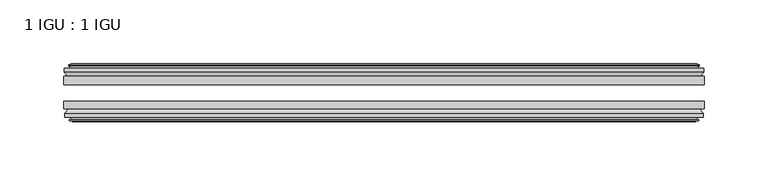
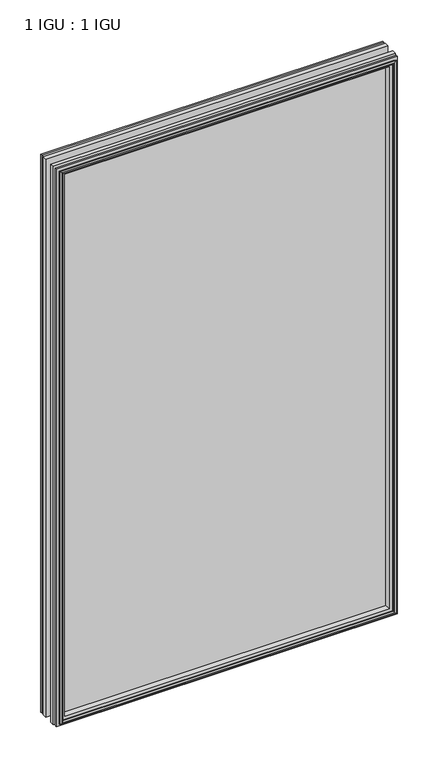
"""IFC4 building model written with IfcOpenShell, lengths in millimetres: plate geometry, 1 IGU : 1 IGU."""

from ifc_helpers import new_model, si_unit, frame, origin, place, context, project, spatial, polyline, outline, extrude, faceted_brep, source, transform, mapped, element, save


def plate_1_igu_1_igu_1c0c4714(model_context):
    return source(origin(), model_context, "Body", "SolidModel", [
        extrude(outline(polyline([(250.2202883, -25.8960937), (250.2202883, -32.2460938), (-250.2202883, -32.2460938), (-250.2202883, -25.8960937), (250.2202883, -25.8960937)])), frame((0.0, 0.0, -12.7), z_axis=(0.0, 0.0, 1.0), x_axis=(1.0, 0.0, 0.0)), (0.0, 0.0, 1.0), 863.6),
        extrude(outline(polyline([(-250.2202883, -51.2960938), (-250.2202883, -45.2686737), (250.2202883, -45.2686737), (250.2202883, -51.2960938), (-250.2202883, -51.2960938)])), frame((0.0, 0.0, -12.7), z_axis=(0.0, 0.0, 1.0), x_axis=(1.0, 0.0, 0.0)), (0.0, 0.0, 1.0), 863.6),
        faceted_brep([(-244.6322883, -60.0262907, 845.312), (-245.0132883, -57.6460937, 845.693), (-245.0132883, -57.6460937, -7.493), (-244.6322883, -60.0262907, -7.112), (-246.0478174, -59.5663575, 846.7275291), (-246.0478174, -59.5663575, -8.5275291), (-246.0478174, -60.3675717, 846.7275291), (-246.0478174, -60.3675717, -8.5275291), (-243.8702883, -61.0750937, 844.55), (-243.8702883, -61.0750937, -6.35), (-241.6927593, -60.3675717, 842.3724709), (-241.6927593, -60.3675717, -4.1724709), (-241.6927593, -59.5663575, 842.3724709), (-241.6927593, -59.5663575, -4.1724709), (-243.1082883, -60.0262907, 843.788), (-243.1082883, -60.0262907, -5.588), (-242.7272883, -57.6460937, 843.407), (-242.7272883, -57.6460937, -5.207), (-235.8025703, -51.2960937, 836.4822819), (-237.5202883, -57.6460937, 838.2), (-237.5202883, -57.6460937, 0.0), (-235.8025703, -51.2960937, 1.7177181), (-249.4582883, -54.6996937, 850.138), (-246.6239462, -51.2960937, 847.3036578), (-246.6239462, -51.2960937, -9.1036578), (-249.4582883, -54.6996937, -11.938), (-249.4582883, -57.6460937, 850.138), (-249.4582883, -57.6460937, -11.938), (245.0132883, -57.6460938, -7.493), (244.6322883, -60.0262907, -7.112), (246.0478174, -59.5663575, -8.5275291), (246.0478174, -60.3675717, -8.5275291), (243.8702883, -61.0750937, -6.35), (241.6927593, -60.3675717, -4.1724709), (241.6927593, -59.5663575, -4.1724709), (243.1082883, -60.0262907, -5.588), (242.7272883, -57.6460937, -5.207), (237.5202883, -57.6460937, 0.0), (235.8025703, -51.2960937, 1.7177181), (246.6239462, -51.2960937, -9.1036578), (249.4582883, -54.6996937, -11.938), (249.4582883, -57.6460938, -11.938), (245.0132883, -57.6460938, 845.693), (244.6322883, -60.0262907, 845.312), (246.0478174, -59.5663575, 846.7275291), (246.0478174, -60.3675717, 846.7275291), (243.8702883, -61.0750937, 844.55), (241.6927593, -60.3675717, 842.3724709), (241.6927593, -59.5663575, 842.3724709), (243.1082883, -60.0262907, 843.788), (242.7272883, -57.6460937, 843.407), (237.5202883, -57.6460937, 838.2), (235.8025703, -51.2960937, 836.4822819), (246.6239462, -51.2960937, 847.3036578), (249.4582883, -54.6996937, 850.138), (249.4582883, -57.6460938, 850.138)], [[[0, 1, 2, 3]], [[4, 0, 3, 5]], [[6, 4, 5, 7]], [[8, 6, 7, 9]], [[10, 8, 9, 11]], [[12, 10, 11, 13]], [[14, 12, 13, 15]], [[16, 14, 15, 17]], [[18, 19, 20, 21]], [[22, 23, 24, 25]], [[26, 22, 25, 27]], [[3, 2, 28, 29]], [[5, 3, 29, 30]], [[7, 5, 30, 31]], [[9, 7, 31, 32]], [[11, 9, 32, 33]], [[13, 11, 33, 34]], [[15, 13, 34, 35]], [[17, 15, 35, 36]], [[21, 20, 37, 38]], [[25, 24, 39, 40]], [[27, 25, 40, 41]], [[29, 28, 42, 43]], [[30, 29, 43, 44]], [[31, 30, 44, 45]], [[32, 31, 45, 46]], [[33, 32, 46, 47]], [[34, 33, 47, 48]], [[35, 34, 48, 49]], [[36, 35, 49, 50]], [[38, 37, 51, 52]], [[40, 39, 53, 54]], [[41, 40, 54, 55]], [[27, 41, 55, 26], [1, 42, 28, 2]], [[43, 42, 1, 0]], [[44, 43, 0, 4]], [[45, 44, 4, 6]], [[46, 45, 6, 8]], [[47, 46, 8, 10]], [[48, 47, 10, 12]], [[49, 48, 12, 14]], [[50, 49, 14, 16]], [[17, 36, 50, 16], [19, 51, 37, 20]], [[52, 51, 19, 18]], [[23, 53, 39, 24], [21, 38, 52, 18]], [[54, 53, 23, 22]], [[55, 54, 22, 26]]]),
        faceted_brep([(-247.1446462, -25.8960937, 847.8243578), (-249.9789883, -22.4924937, 850.6587), (-249.9789883, -22.4924937, -12.4587), (-247.1446462, -25.8960937, -9.6243578), (-238.0409883, -19.5460937, 838.7207), (-236.3232703, -25.8960937, 837.0029819), (-236.3232703, -25.8960937, 1.1970181), (-238.0409883, -19.5460937, -0.5207), (-243.6289883, -17.1658968, 844.3087), (-243.2479883, -19.5460937, 843.9277), (-243.2479883, -19.5460937, -5.7277), (-243.6289883, -17.1658968, -6.1087), (-242.2134593, -17.62583, 842.8931709), (-242.2134593, -17.62583, -4.6931709), (-242.2134593, -16.8246158, 842.8931709), (-242.2134593, -16.8246158, -4.6931709), (-244.3909883, -16.1170937, 845.0707), (-244.3909883, -16.1170937, -6.8707), (-246.5685174, -16.8246158, 847.2482291), (-246.5685174, -16.8246158, -9.0482291), (-246.5685174, -17.62583, 847.2482291), (-246.5685174, -17.62583, -9.0482291), (-245.1529883, -17.1658968, 845.8327), (-245.1529883, -17.1658968, -7.6327), (-245.5339883, -19.5460937, 846.2137), (-245.5339883, -19.5460937, -8.0137), (-249.9789883, -19.5460937, 850.6587), (-249.9789883, -19.5460937, -12.4587), (249.9789883, -22.4924937, -12.4587), (247.1446462, -25.8960937, -9.6243578), (236.3232703, -25.8960937, 1.1970181), (238.0409883, -19.5460937, -0.5207), (243.2479883, -19.5460937, -5.7277), (243.6289883, -17.1658968, -6.1087), (242.2134593, -17.62583, -4.6931709), (242.2134593, -16.8246158, -4.6931709), (244.3909883, -16.1170937, -6.8707), (246.5685174, -16.8246158, -9.0482291), (246.5685174, -17.62583, -9.0482291), (245.1529883, -17.1658968, -7.6327), (245.5339883, -19.5460937, -8.0137), (249.9789883, -19.5460937, -12.4587), (249.9789883, -22.4924937, 850.6587), (247.1446462, -25.8960937, 847.8243578), (236.3232703, -25.8960937, 837.0029819), (238.0409883, -19.5460937, 838.7207), (243.2479883, -19.5460937, 843.9277), (243.6289883, -17.1658968, 844.3087), (242.2134593, -17.62583, 842.8931709), (242.2134593, -16.8246158, 842.8931709), (244.3909883, -16.1170937, 845.0707), (246.5685174, -16.8246158, 847.2482291), (246.5685174, -17.62583, 847.2482291), (245.1529883, -17.1658968, 845.8327), (245.5339883, -19.5460937, 846.2137), (249.9789883, -19.5460937, 850.6587)], [[[0, 1, 2, 3]], [[4, 5, 6, 7]], [[8, 9, 10, 11]], [[12, 8, 11, 13]], [[14, 12, 13, 15]], [[16, 14, 15, 17]], [[18, 16, 17, 19]], [[20, 18, 19, 21]], [[22, 20, 21, 23]], [[24, 22, 23, 25]], [[1, 26, 27, 2]], [[3, 2, 28, 29]], [[7, 6, 30, 31]], [[11, 10, 32, 33]], [[13, 11, 33, 34]], [[15, 13, 34, 35]], [[17, 15, 35, 36]], [[19, 17, 36, 37]], [[21, 19, 37, 38]], [[23, 21, 38, 39]], [[25, 23, 39, 40]], [[2, 27, 41, 28]], [[29, 28, 42, 43]], [[31, 30, 44, 45]], [[33, 32, 46, 47]], [[34, 33, 47, 48]], [[35, 34, 48, 49]], [[36, 35, 49, 50]], [[37, 36, 50, 51]], [[38, 37, 51, 52]], [[39, 38, 52, 53]], [[40, 39, 53, 54]], [[28, 41, 55, 42]], [[43, 42, 1, 0]], [[3, 29, 43, 0], [5, 44, 30, 6]], [[45, 44, 5, 4]], [[9, 46, 32, 10], [7, 31, 45, 4]], [[47, 46, 9, 8]], [[48, 47, 8, 12]], [[49, 48, 12, 14]], [[50, 49, 14, 16]], [[51, 50, 16, 18]], [[52, 51, 18, 20]], [[53, 52, 20, 22]], [[54, 53, 22, 24]], [[26, 55, 41, 27], [25, 40, 54, 24]], [[42, 55, 26, 1]]]),
    ])


if __name__ == "__main__":
    model = new_model("IFC4")
    model_context = context("Model", 3, world=origin())
    ifc_project = project(units=[si_unit("LENGTHUNIT", "METRE", prefix="MILLI")], contexts=[model_context])
    site = spatial("IfcSite", under=ifc_project)
    building = spatial("IfcBuilding", under=site)
    placement = place(None, origin())
    plate_1_igu_1_igu_shape = plate_1_igu_1_igu_1c0c4714(model_context)
    element("IfcPlate", 1, ObjectType="1 IGU : 1 IGU", at=placement, inside=building, context=model_context, shape_type="MappedRepresentation", body=[
        mapped(plate_1_igu_1_igu_shape, transform((0.0, 0.0, 0.0), x_axis=(1.0, 0.0, 0.0), y_axis=(0.0, 1.0, 0.0), z_axis=(0.0, 0.0, 1.0))),
    ])
    save(model, "model.ifc")
